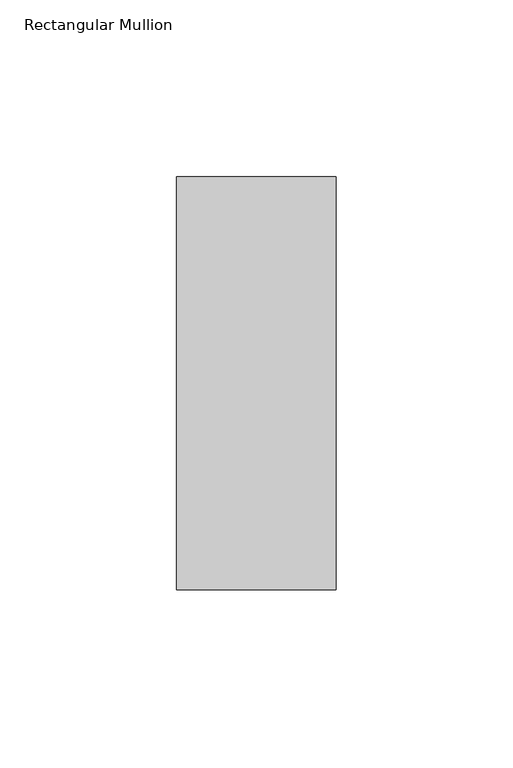
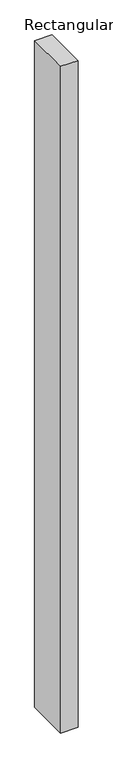
"""IFC4 building model written with IfcOpenShell, lengths in millimetres: member geometry, Rectangular Mullion."""

import ifcopenshell
import ifcopenshell.guid

model = None  # the IFC model being written
_history = None  # IfcOwnerHistory: only IFC2X3 demands one
_inside = {}  # id of a spatial element -> (the spatial element, [elements in it])
_under = {}  # id of a project, library or spatial element -> (it, [spatial elements below it])
_declared = {}  # id of a project -> (the project, [libraries it declares])
_typed = {}  # id of a type object -> (the type object, [elements of that type])
_made_of = {}  # id of a material, layer set ... -> (it, [elements and type objects made of it])


def new_model(schema):
    """Start an empty IFC model of exactly this schema.

    Asked for "IFC4X3", IfcOpenShell would pick the latest addendum, in which some entities
    have other attributes; the version numbers below select the first issue.
    IFC2X3 requires an IfcOwnerHistory on every rooted entity: one is made here for all.
    """
    global model, _history
    if schema == "IFC4X3":
        model = ifcopenshell.file(schema_version=(4, 3, 0, 0))
    else:
        model = ifcopenshell.file(schema=schema)
    _inside.clear()
    _under.clear()
    _declared.clear()
    _typed.clear()
    _made_of.clear()
    _history = None
    if model.schema == "IFC2X3":
        org = make("IfcOrganization", Name="unknown")
        user = make(
            "IfcPersonAndOrganization",
            ThePerson=make("IfcPerson", FamilyName="unknown"),
            TheOrganization=org,
        )
        app = make(
            "IfcApplication",
            ApplicationDeveloper=org,
            Version="unknown",
            ApplicationFullName="unknown",
            ApplicationIdentifier="unknown",
        )
        _history = make(
            "IfcOwnerHistory",
            OwningUser=user,
            OwningApplication=app,
            ChangeAction="ADDED",
            CreationDate=0,
        )
    return model


def make(cls, **values):
    """One entity of the class cls with the attributes given. An attribute that is None is left unset."""
    return model.create_entity(
        cls, **{name: value for name, value in values.items() if value is not None}
    )


def rooted(cls, **values):
    """An entity with a GlobalId (a new one), such as an element, a storey or a relation."""
    return make(cls, GlobalId=ifcopenshell.guid.new(), OwnerHistory=_history, **values)


def si_unit(unit_type, name, prefix=None):
    """IfcSIUnit, for example si_unit("LENGTHUNIT", "METRE", prefix="MILLI")."""
    return make("IfcSIUnit", UnitType=unit_type, Prefix=prefix, Name=name)


def assignment(units):
    """IfcUnitAssignment: the units of a project."""
    return None if units is None else make("IfcUnitAssignment", Units=units)


def point(xyz):
    """IfcCartesianPoint."""
    return None if xyz is None else make("IfcCartesianPoint", Coordinates=xyz)


def direction(xyz):
    """IfcDirection."""
    return None if xyz is None else make("IfcDirection", DirectionRatios=xyz)


def frame(location, z_axis=None, x_axis=None):
    """IfcAxis2Placement3D, a coordinate frame: its origin and axes. An axis left out is left unset."""
    return make(
        "IfcAxis2Placement3D",
        Location=point(location),
        Axis=direction(z_axis),
        RefDirection=direction(x_axis),
    )


def origin():
    """The frame at (0, 0, 0) with its axes left unset."""
    return frame((0.0, 0.0, 0.0))


def place(relative_to, where):
    """IfcLocalPlacement: puts the frame where relative to a parent placement (None: the world)."""
    return make(
        "IfcLocalPlacement", PlacementRelTo=relative_to, RelativePlacement=where
    )


def context(
    kind, dimensions, precision=None, world=None, true_north=None, identifier=None
):
    """IfcGeometricRepresentationContext, for example the 3D "Model" context."""
    return make(
        "IfcGeometricRepresentationContext",
        ContextIdentifier=identifier,
        ContextType=kind,
        CoordinateSpaceDimension=dimensions,
        Precision=precision,
        WorldCoordinateSystem=world,
        TrueNorth=true_north,
    )


def project(units=None, contexts=None):
    """IfcProject with its units and contexts."""
    return rooted(
        "IfcProject",
        Name="project",
        RepresentationContexts=contexts,
        UnitsInContext=assignment(units),
    )


def spatial(cls, under=None, at=None, **own):
    """A site, building, storey or space (cls), placed at a placement, below another one or the project."""
    s = rooted(cls, ObjectPlacement=at, **own)
    if under is not None:
        _under.setdefault(under.id(), (under, []))[1].append(s)
    return s


def polyline(points):
    """IfcPolyline through the points."""
    return make("IfcPolyline", Points=[point(p) for p in points])


def outline(outer, holes=None, kind="AREA"):
    """IfcArbitraryClosedProfileDef: a profile drawn as a closed curve; with holes, ...WithVoids."""
    if holes is None:
        return make("IfcArbitraryClosedProfileDef", ProfileType=kind, OuterCurve=outer)
    return make(
        "IfcArbitraryProfileDefWithVoids",
        ProfileType=kind,
        OuterCurve=outer,
        InnerCurves=holes,
    )


def extrude(swept, where, along, depth):
    """IfcExtrudedAreaSolid: the profile swept, set in the frame where, extruded along a direction by depth."""
    return make(
        "IfcExtrudedAreaSolid",
        SweptArea=swept,
        Position=where,
        ExtrudedDirection=direction(along),
        Depth=depth,
    )


def shape(context_of_items, identifier, shape_type, items):
    """IfcShapeRepresentation: the items that make up one representation, for example the "Body"."""
    return make(
        "IfcShapeRepresentation",
        ContextOfItems=context_of_items,
        RepresentationIdentifier=identifier,
        RepresentationType=shape_type,
        Items=items,
    )


def source(mapping_origin, context_of_items, identifier, shape_type, items):
    """IfcRepresentationMap: a shape defined once, which mapped items show again and again."""
    return make(
        "IfcRepresentationMap",
        MappingOrigin=mapping_origin,
        MappedRepresentation=shape(context_of_items, identifier, shape_type, items),
    )


def transform(
    local_origin,
    x_axis=None,
    y_axis=None,
    z_axis=None,
    scale=None,
    scale2=None,
    scale3=None,
    uniform=True,
):
    """IfcCartesianTransformationOperator3D, or its non-uniform kind. x_axis, y_axis, z_axis: its Axis1, 2, 3."""
    if uniform:
        return make(
            "IfcCartesianTransformationOperator3D",
            Axis1=direction(x_axis),
            Axis2=direction(y_axis),
            LocalOrigin=point(local_origin),
            Scale=scale,
            Axis3=direction(z_axis),
        )
    return make(
        "IfcCartesianTransformationOperator3DnonUniform",
        Axis1=direction(x_axis),
        Axis2=direction(y_axis),
        LocalOrigin=point(local_origin),
        Scale=scale,
        Axis3=direction(z_axis),
        Scale2=scale2,
        Scale3=scale3,
    )


def mapped(mapping_source, mapping_target):
    """IfcMappedItem: shows the shape of a source again, moved by a transform."""
    return make(
        "IfcMappedItem", MappingSource=mapping_source, MappingTarget=mapping_target
    )


def made_of(thing, what):
    """Note that an element or type object is made of a material, layer set ...; save() writes the relation."""
    if what is not None:
        _made_of.setdefault(what.id(), (what, []))[1].append(thing)
    return thing


def element(
    cls,
    number,
    at=None,
    inside=None,
    cuts=None,
    type_object=None,
    material=None,
    context=None,
    identifier="Body",
    shape_type=None,
    held_by="IfcProductDefinitionShape",
    body=None,
    shapes=None,
    **own,
):
    """One element of the class cls, such as IfcWall. Its Tag is "e" and its number.

    at: its placement. inside: the storey or other place that contains it. cuts: it is an
    opening in that element (IfcRelVoidsElement). A single representation is given by context,
    identifier, shape_type and body (its items); several are given by shapes. held_by: the class
    of the entity that holds the representations. save() writes the other relations.
    """
    e = rooted(cls, Tag="e%d" % number, ObjectPlacement=at, **own)
    if body is not None:
        shapes = [shape(context, identifier, shape_type, body)]
    if shapes is not None:
        e.Representation = make(held_by, Representations=shapes)
    if inside is not None:
        _inside.setdefault(inside.id(), (inside, []))[1].append(e)
    if cuts is not None:
        rooted(
            "IfcRelVoidsElement", RelatingBuildingElement=cuts, RelatedOpeningElement=e
        )
    if type_object is not None:
        _typed.setdefault(type_object.id(), (type_object, []))[1].append(e)
    return made_of(e, material)


def aggregate(whole, parts):
    """IfcRelAggregates: a whole, such as a stair, and the parts it consists of."""
    return rooted("IfcRelAggregates", RelatingObject=whole, RelatedObjects=parts)


def save(model, path):
    """Write the relations noted so far, then the file.

    IfcRelAggregates (storeys below a building ...), IfcRelContainedInSpatialStructure (elements
    in a storey), IfcRelDefinesByType, IfcRelAssociatesMaterial and IfcRelDeclares: one each for
    every whole, place, type object, material and project.
    """
    for whole, parts in _under.values():
        aggregate(whole, parts)
    for where, things in _inside.values():
        rooted(
            "IfcRelContainedInSpatialStructure",
            RelatedElements=things,
            RelatingStructure=where,
        )
    for kind, things in _typed.values():
        rooted("IfcRelDefinesByType", RelatedObjects=things, RelatingType=kind)
    for what, things in _made_of.values():
        rooted("IfcRelAssociatesMaterial", RelatedObjects=things, RelatingMaterial=what)
    for by, libraries in _declared.values():
        rooted("IfcRelDeclares", RelatingContext=by, RelatedDefinitions=libraries)
    model.write(path)


def rectangular_mullion_55a0cacc(model_context):
    return source(origin(), model_context, "Body", "SweptSolid", [
        extrude(outline(polyline([(-45.0453125, 73.875), (0.0, 73.875), (0.0, -42.8257813), (-45.0453125, -42.8257813), (-45.0453125, 73.875)])), frame((0.0, 0.0, -1828.8), z_axis=(0.0, 0.0, 1.0), x_axis=(1.0, 0.0, 0.0)), (0.0, 0.0, 1.0), 1828.8),
    ])


if __name__ == "__main__":
    model = new_model("IFC4")
    model_context = context("Model", 3, world=origin())
    ifc_project = project(units=[si_unit("LENGTHUNIT", "METRE", prefix="MILLI")], contexts=[model_context])
    site = spatial("IfcSite", under=ifc_project)
    building = spatial("IfcBuilding", under=site)
    placement = place(None, origin())
    rectangular_mullion_shape = rectangular_mullion_55a0cacc(model_context)
    element("IfcMember", 1, ObjectType="Rectangular Mullion", at=placement, inside=building, context=model_context, shape_type="MappedRepresentation", body=[
        mapped(rectangular_mullion_shape, transform((0.0, 0.0, 0.0), x_axis=(1.0, 0.0, 0.0), y_axis=(0.0, 1.0, 0.0), z_axis=(0.0, 0.0, 1.0))),
    ])
    save(model, "model.ifc")
